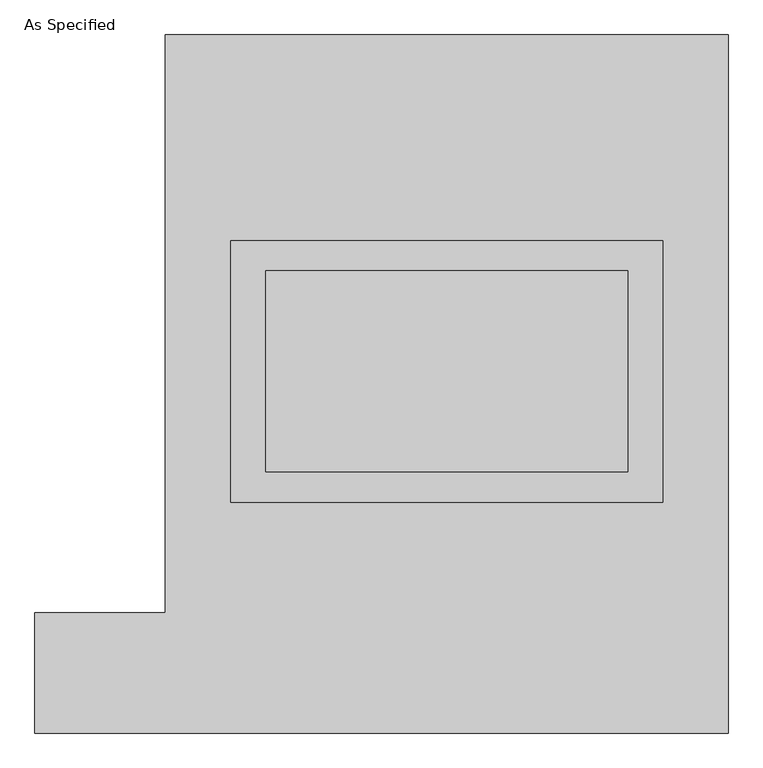
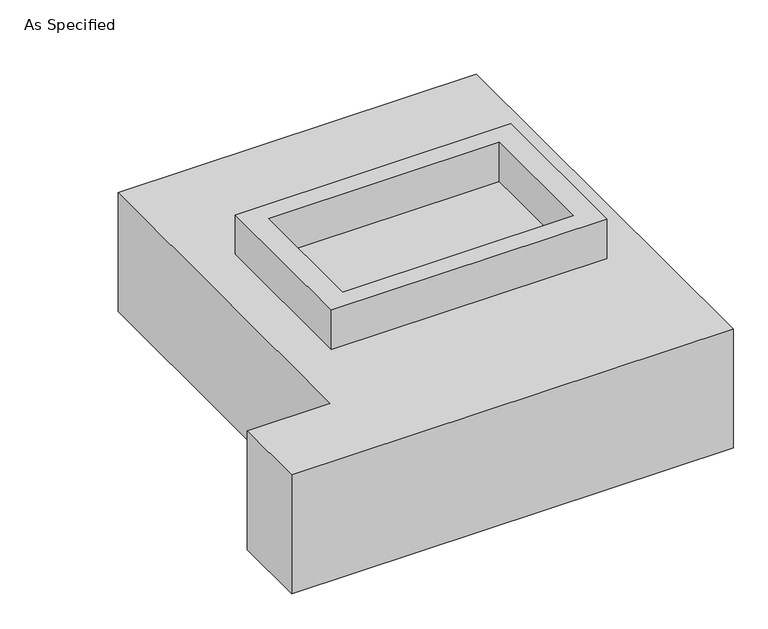
"""IFC4 building model written with IfcOpenShell, lengths in millimetres: proxy geometry, As Specified."""

from ifc_helpers import new_model, si_unit, frame, origin, place, context, project, spatial, polyline, outline, extrude, faceted_brep, source, transform, mapped, element, save


def as_specified_4cfe0e44(model_context):
    return source(origin(), model_context, "Body", "SolidModel", [
        extrude(outline(polyline([(546.1, 361.95), (546.1, -298.45), (-546.1, -298.45), (-546.1, 361.95), (546.1, 361.95)]), holes=[polyline([(457.2, 285.75), (-457.2, 285.75), (-457.2, -222.25), (457.2, -222.25), (457.2, 285.75)])]), frame((0.0, 0.0, -25.4), z_axis=(0.0, 0.0, 1.0), x_axis=(1.0, 0.0, 0.0)), (0.0, 0.0, 1.0), 165.1),
        extrude(outline(polyline([(457.2, 285.75), (457.2, -222.25), (-457.2, -222.25), (-457.2, 285.75), (457.2, 285.75)])), frame((0.0, 0.0, -30.3609375), z_axis=(0.0, 0.0, 1.0), x_axis=(1.0, 0.0, 0.0)), (0.0, 0.0, 1.0), 4.9609375),
        faceted_brep([(-711.2, 882.65, -523.875), (711.2, 882.65, -523.875), (711.2, -882.65, -523.875), (-1041.4, -882.65, -523.875), (-1041.4, -577.85, -523.875), (-711.2, -577.85, -523.875), (711.2, 882.65, -25.4), (-711.2, 882.65, -25.4), (-711.2, -577.85, -25.4), (-1041.4, -577.85, -25.4), (-1041.4, -882.65, -25.4), (711.2, -882.65, -25.4), (-546.1, -298.45, -25.4), (-546.1, 361.95, -25.4), (546.1, 361.95, -25.4), (546.1, -298.45, -25.4), (546.1, 361.95, -498.475), (-546.1, 361.95, -498.475), (-546.1, -298.45, -498.475), (546.1, -298.45, -498.475)], [[[0, 1, 2, 3, 4, 5]], [[6, 7, 8, 9, 10, 11], [12, 13, 14, 15]], [[1, 0, 7, 6]], [[7, 0, 5, 8]], [[1, 6, 11, 2]], [[16, 17, 18, 19]], [[18, 17, 13, 12]], [[17, 16, 14, 13]], [[16, 19, 15, 14]], [[12, 15, 19, 18]], [[3, 2, 11, 10]], [[5, 4, 9, 8]], [[4, 3, 10, 9]]]),
    ])


if __name__ == "__main__":
    model = new_model("IFC4")
    model_context = context("Model", 3, world=origin())
    ifc_project = project(units=[si_unit("LENGTHUNIT", "METRE", prefix="MILLI")], contexts=[model_context])
    site = spatial("IfcSite", under=ifc_project)
    building = spatial("IfcBuilding", under=site)
    placement = place(None, origin())
    as_specified_shape = as_specified_4cfe0e44(model_context)
    element("IfcBuildingElementProxy", 1, Name="As Specified", ObjectType="As Specified", at=placement, inside=building, context=model_context, shape_type="MappedRepresentation", body=[
        mapped(as_specified_shape, transform((0.0, 0.0, 0.0), x_axis=(1.0, 0.0, 0.0), y_axis=(0.0, 1.0, 0.0), z_axis=(0.0, 0.0, 1.0))),
    ])
    save(model, "model.ifc")
